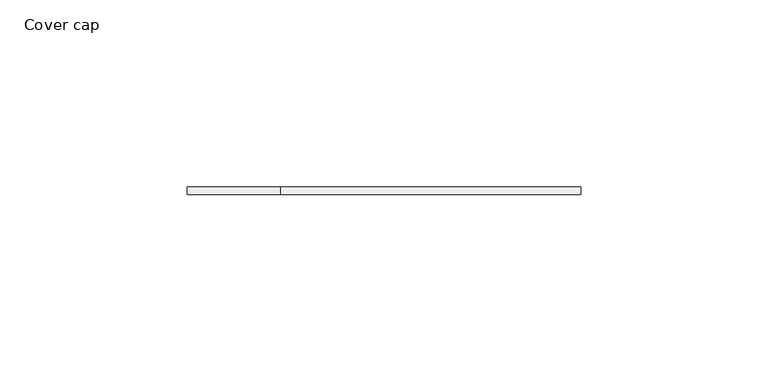
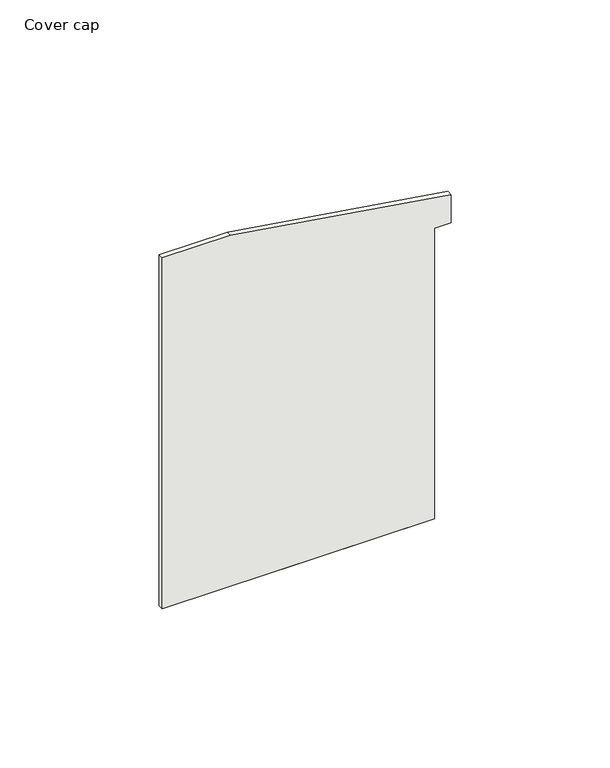
"""IFC4 building model written with IfcOpenShell, lengths in millimetres: covering geometry, Cover cap."""

import ifcopenshell
import ifcopenshell.guid

model = None  # the IFC model being written
_history = None  # IfcOwnerHistory: only IFC2X3 demands one
_inside = {}  # id of a spatial element -> (the spatial element, [elements in it])
_under = {}  # id of a project, library or spatial element -> (it, [spatial elements below it])
_declared = {}  # id of a project -> (the project, [libraries it declares])
_typed = {}  # id of a type object -> (the type object, [elements of that type])
_made_of = {}  # id of a material, layer set ... -> (it, [elements and type objects made of it])


def new_model(schema):
    """Start an empty IFC model of exactly this schema.

    Asked for "IFC4X3", IfcOpenShell would pick the latest addendum, in which some entities
    have other attributes; the version numbers below select the first issue.
    IFC2X3 requires an IfcOwnerHistory on every rooted entity: one is made here for all.
    """
    global model, _history
    if schema == "IFC4X3":
        model = ifcopenshell.file(schema_version=(4, 3, 0, 0))
    else:
        model = ifcopenshell.file(schema=schema)
    _inside.clear()
    _under.clear()
    _declared.clear()
    _typed.clear()
    _made_of.clear()
    _history = None
    if model.schema == "IFC2X3":
        org = make("IfcOrganization", Name="unknown")
        user = make(
            "IfcPersonAndOrganization",
            ThePerson=make("IfcPerson", FamilyName="unknown"),
            TheOrganization=org,
        )
        app = make(
            "IfcApplication",
            ApplicationDeveloper=org,
            Version="unknown",
            ApplicationFullName="unknown",
            ApplicationIdentifier="unknown",
        )
        _history = make(
            "IfcOwnerHistory",
            OwningUser=user,
            OwningApplication=app,
            ChangeAction="ADDED",
            CreationDate=0,
        )
    return model


def make(cls, **values):
    """One entity of the class cls with the attributes given. An attribute that is None is left unset."""
    return model.create_entity(
        cls, **{name: value for name, value in values.items() if value is not None}
    )


def rooted(cls, **values):
    """An entity with a GlobalId (a new one), such as an element, a storey or a relation."""
    return make(cls, GlobalId=ifcopenshell.guid.new(), OwnerHistory=_history, **values)


def si_unit(unit_type, name, prefix=None):
    """IfcSIUnit, for example si_unit("LENGTHUNIT", "METRE", prefix="MILLI")."""
    return make("IfcSIUnit", UnitType=unit_type, Prefix=prefix, Name=name)


def assignment(units):
    """IfcUnitAssignment: the units of a project."""
    return None if units is None else make("IfcUnitAssignment", Units=units)


def point(xyz):
    """IfcCartesianPoint."""
    return None if xyz is None else make("IfcCartesianPoint", Coordinates=xyz)


def direction(xyz):
    """IfcDirection."""
    return None if xyz is None else make("IfcDirection", DirectionRatios=xyz)


def frame(location, z_axis=None, x_axis=None):
    """IfcAxis2Placement3D, a coordinate frame: its origin and axes. An axis left out is left unset."""
    return make(
        "IfcAxis2Placement3D",
        Location=point(location),
        Axis=direction(z_axis),
        RefDirection=direction(x_axis),
    )


def origin():
    """The frame at (0, 0, 0) with its axes left unset."""
    return frame((0.0, 0.0, 0.0))


def place(relative_to, where):
    """IfcLocalPlacement: puts the frame where relative to a parent placement (None: the world)."""
    return make(
        "IfcLocalPlacement", PlacementRelTo=relative_to, RelativePlacement=where
    )


def context(
    kind, dimensions, precision=None, world=None, true_north=None, identifier=None
):
    """IfcGeometricRepresentationContext, for example the 3D "Model" context."""
    return make(
        "IfcGeometricRepresentationContext",
        ContextIdentifier=identifier,
        ContextType=kind,
        CoordinateSpaceDimension=dimensions,
        Precision=precision,
        WorldCoordinateSystem=world,
        TrueNorth=true_north,
    )


def project(units=None, contexts=None):
    """IfcProject with its units and contexts."""
    return rooted(
        "IfcProject",
        Name="project",
        RepresentationContexts=contexts,
        UnitsInContext=assignment(units),
    )


def spatial(cls, under=None, at=None, **own):
    """A site, building, storey or space (cls), placed at a placement, below another one or the project."""
    s = rooted(cls, ObjectPlacement=at, **own)
    if under is not None:
        _under.setdefault(under.id(), (under, []))[1].append(s)
    return s


def polyline(points):
    """IfcPolyline through the points."""
    return make("IfcPolyline", Points=[point(p) for p in points])


def outline(outer, holes=None, kind="AREA"):
    """IfcArbitraryClosedProfileDef: a profile drawn as a closed curve; with holes, ...WithVoids."""
    if holes is None:
        return make("IfcArbitraryClosedProfileDef", ProfileType=kind, OuterCurve=outer)
    return make(
        "IfcArbitraryProfileDefWithVoids",
        ProfileType=kind,
        OuterCurve=outer,
        InnerCurves=holes,
    )


def extrude(swept, where, along, depth):
    """IfcExtrudedAreaSolid: the profile swept, set in the frame where, extruded along a direction by depth."""
    return make(
        "IfcExtrudedAreaSolid",
        SweptArea=swept,
        Position=where,
        ExtrudedDirection=direction(along),
        Depth=depth,
    )


def shape(context_of_items, identifier, shape_type, items):
    """IfcShapeRepresentation: the items that make up one representation, for example the "Body"."""
    return make(
        "IfcShapeRepresentation",
        ContextOfItems=context_of_items,
        RepresentationIdentifier=identifier,
        RepresentationType=shape_type,
        Items=items,
    )


def source(mapping_origin, context_of_items, identifier, shape_type, items):
    """IfcRepresentationMap: a shape defined once, which mapped items show again and again."""
    return make(
        "IfcRepresentationMap",
        MappingOrigin=mapping_origin,
        MappedRepresentation=shape(context_of_items, identifier, shape_type, items),
    )


def transform(
    local_origin,
    x_axis=None,
    y_axis=None,
    z_axis=None,
    scale=None,
    scale2=None,
    scale3=None,
    uniform=True,
):
    """IfcCartesianTransformationOperator3D, or its non-uniform kind. x_axis, y_axis, z_axis: its Axis1, 2, 3."""
    if uniform:
        return make(
            "IfcCartesianTransformationOperator3D",
            Axis1=direction(x_axis),
            Axis2=direction(y_axis),
            LocalOrigin=point(local_origin),
            Scale=scale,
            Axis3=direction(z_axis),
        )
    return make(
        "IfcCartesianTransformationOperator3DnonUniform",
        Axis1=direction(x_axis),
        Axis2=direction(y_axis),
        LocalOrigin=point(local_origin),
        Scale=scale,
        Axis3=direction(z_axis),
        Scale2=scale2,
        Scale3=scale3,
    )


def mapped(mapping_source, mapping_target):
    """IfcMappedItem: shows the shape of a source again, moved by a transform."""
    return make(
        "IfcMappedItem", MappingSource=mapping_source, MappingTarget=mapping_target
    )


def made_of(thing, what):
    """Note that an element or type object is made of a material, layer set ...; save() writes the relation."""
    if what is not None:
        _made_of.setdefault(what.id(), (what, []))[1].append(thing)
    return thing


def element(
    cls,
    number,
    at=None,
    inside=None,
    cuts=None,
    type_object=None,
    material=None,
    context=None,
    identifier="Body",
    shape_type=None,
    held_by="IfcProductDefinitionShape",
    body=None,
    shapes=None,
    **own,
):
    """One element of the class cls, such as IfcWall. Its Tag is "e" and its number.

    at: its placement. inside: the storey or other place that contains it. cuts: it is an
    opening in that element (IfcRelVoidsElement). A single representation is given by context,
    identifier, shape_type and body (its items); several are given by shapes. held_by: the class
    of the entity that holds the representations. save() writes the other relations.
    """
    e = rooted(cls, Tag="e%d" % number, ObjectPlacement=at, **own)
    if body is not None:
        shapes = [shape(context, identifier, shape_type, body)]
    if shapes is not None:
        e.Representation = make(held_by, Representations=shapes)
    if inside is not None:
        _inside.setdefault(inside.id(), (inside, []))[1].append(e)
    if cuts is not None:
        rooted(
            "IfcRelVoidsElement", RelatingBuildingElement=cuts, RelatedOpeningElement=e
        )
    if type_object is not None:
        _typed.setdefault(type_object.id(), (type_object, []))[1].append(e)
    return made_of(e, material)


def aggregate(whole, parts):
    """IfcRelAggregates: a whole, such as a stair, and the parts it consists of."""
    return rooted("IfcRelAggregates", RelatingObject=whole, RelatedObjects=parts)


def save(model, path):
    """Write the relations noted so far, then the file.

    IfcRelAggregates (storeys below a building ...), IfcRelContainedInSpatialStructure (elements
    in a storey), IfcRelDefinesByType, IfcRelAssociatesMaterial and IfcRelDeclares: one each for
    every whole, place, type object, material and project.
    """
    for whole, parts in _under.values():
        aggregate(whole, parts)
    for where, things in _inside.values():
        rooted(
            "IfcRelContainedInSpatialStructure",
            RelatedElements=things,
            RelatingStructure=where,
        )
    for kind, things in _typed.values():
        rooted("IfcRelDefinesByType", RelatedObjects=things, RelatingType=kind)
    for what, things in _made_of.values():
        rooted("IfcRelAssociatesMaterial", RelatedObjects=things, RelatingMaterial=what)
    for by, libraries in _declared.values():
        rooted("IfcRelDeclares", RelatingContext=by, RelatedDefinitions=libraries)
    model.write(path)


def cover_cap_f1013e01(model_context):
    return source(origin(), model_context, "Body", "SweptSolid", [
        extrude(outline(polyline([(-2.0, -31.9), (-2.0, 67.0), (109.5, 67.0), (109.5, 73.0), (120.2855349, 73.0), (132.7051053, -7.0), (132.7051053, -31.9), (-2.0, -31.9)])), frame((0.0, -2.0, 0.0), z_axis=(0.0, 1.0, 0.0), x_axis=(0.0, 0.0, 1.0)), (0.0, 0.0, 1.0), 2.0),
        extrude(outline(polyline([(67.0, 0.0), (67.0, -2.0), (0.0, -2.0), (0.0, 0.0), (67.0, 0.0)])), frame((0.0, 0.0, -2.0), z_axis=(0.0, 0.0, 1.0), x_axis=(1.0, 0.0, 0.0)), (0.0, 0.0, 1.0), 111.5),
    ])


if __name__ == "__main__":
    model = new_model("IFC4")
    model_context = context("Model", 3, world=origin())
    ifc_project = project(units=[si_unit("LENGTHUNIT", "METRE", prefix="MILLI")], contexts=[model_context])
    site = spatial("IfcSite", under=ifc_project)
    building = spatial("IfcBuilding", under=site)
    placement = place(None, origin())
    cover_cap_shape = cover_cap_f1013e01(model_context)
    element("IfcCovering", 1, ObjectType="Cover cap", at=placement, inside=building, context=model_context, shape_type="MappedRepresentation", body=[
        mapped(cover_cap_shape, transform((0.0, 0.0, 0.0), x_axis=(1.0, 0.0, 0.0), y_axis=(0.0, 1.0, 0.0), z_axis=(0.0, 0.0, 1.0))),
    ])
    save(model, "model.ifc")
